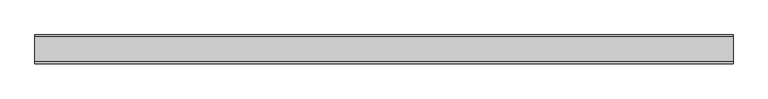
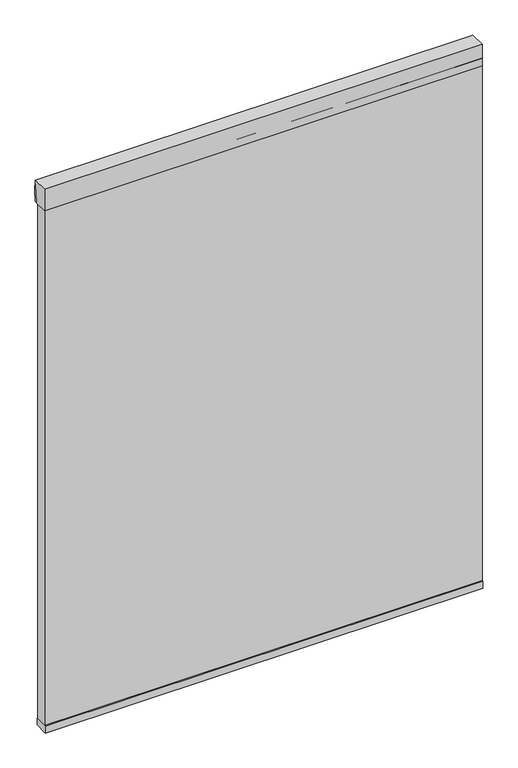
"""IFC4 building model written with IfcOpenShell, lengths in millimetres: plate geometry."""

import ifcopenshell
import ifcopenshell.guid

model = None  # the IFC model being written
_history = None  # IfcOwnerHistory: only IFC2X3 demands one
_inside = {}  # id of a spatial element -> (the spatial element, [elements in it])
_under = {}  # id of a project, library or spatial element -> (it, [spatial elements below it])
_declared = {}  # id of a project -> (the project, [libraries it declares])
_typed = {}  # id of a type object -> (the type object, [elements of that type])
_made_of = {}  # id of a material, layer set ... -> (it, [elements and type objects made of it])


def new_model(schema):
    """Start an empty IFC model of exactly this schema.

    Asked for "IFC4X3", IfcOpenShell would pick the latest addendum, in which some entities
    have other attributes; the version numbers below select the first issue.
    IFC2X3 requires an IfcOwnerHistory on every rooted entity: one is made here for all.
    """
    global model, _history
    if schema == "IFC4X3":
        model = ifcopenshell.file(schema_version=(4, 3, 0, 0))
    else:
        model = ifcopenshell.file(schema=schema)
    _inside.clear()
    _under.clear()
    _declared.clear()
    _typed.clear()
    _made_of.clear()
    _history = None
    if model.schema == "IFC2X3":
        org = make("IfcOrganization", Name="unknown")
        user = make(
            "IfcPersonAndOrganization",
            ThePerson=make("IfcPerson", FamilyName="unknown"),
            TheOrganization=org,
        )
        app = make(
            "IfcApplication",
            ApplicationDeveloper=org,
            Version="unknown",
            ApplicationFullName="unknown",
            ApplicationIdentifier="unknown",
        )
        _history = make(
            "IfcOwnerHistory",
            OwningUser=user,
            OwningApplication=app,
            ChangeAction="ADDED",
            CreationDate=0,
        )
    return model


def make(cls, **values):
    """One entity of the class cls with the attributes given. An attribute that is None is left unset."""
    return model.create_entity(
        cls, **{name: value for name, value in values.items() if value is not None}
    )


def rooted(cls, **values):
    """An entity with a GlobalId (a new one), such as an element, a storey or a relation."""
    return make(cls, GlobalId=ifcopenshell.guid.new(), OwnerHistory=_history, **values)


def si_unit(unit_type, name, prefix=None):
    """IfcSIUnit, for example si_unit("LENGTHUNIT", "METRE", prefix="MILLI")."""
    return make("IfcSIUnit", UnitType=unit_type, Prefix=prefix, Name=name)


def assignment(units):
    """IfcUnitAssignment: the units of a project."""
    return None if units is None else make("IfcUnitAssignment", Units=units)


def point(xyz):
    """IfcCartesianPoint."""
    return None if xyz is None else make("IfcCartesianPoint", Coordinates=xyz)


def direction(xyz):
    """IfcDirection."""
    return None if xyz is None else make("IfcDirection", DirectionRatios=xyz)


def frame(location, z_axis=None, x_axis=None):
    """IfcAxis2Placement3D, a coordinate frame: its origin and axes. An axis left out is left unset."""
    return make(
        "IfcAxis2Placement3D",
        Location=point(location),
        Axis=direction(z_axis),
        RefDirection=direction(x_axis),
    )


def frame_2d(location, x_axis=None):
    """IfcAxis2Placement2D, a coordinate frame in the plane: its origin and x axis."""
    return make(
        "IfcAxis2Placement2D", Location=point(location), RefDirection=direction(x_axis)
    )


def origin():
    """The frame at (0, 0, 0) with its axes left unset."""
    return frame((0.0, 0.0, 0.0))


def place(relative_to, where):
    """IfcLocalPlacement: puts the frame where relative to a parent placement (None: the world)."""
    return make(
        "IfcLocalPlacement", PlacementRelTo=relative_to, RelativePlacement=where
    )


def context(
    kind, dimensions, precision=None, world=None, true_north=None, identifier=None
):
    """IfcGeometricRepresentationContext, for example the 3D "Model" context."""
    return make(
        "IfcGeometricRepresentationContext",
        ContextIdentifier=identifier,
        ContextType=kind,
        CoordinateSpaceDimension=dimensions,
        Precision=precision,
        WorldCoordinateSystem=world,
        TrueNorth=true_north,
    )


def project(units=None, contexts=None):
    """IfcProject with its units and contexts."""
    return rooted(
        "IfcProject",
        Name="project",
        RepresentationContexts=contexts,
        UnitsInContext=assignment(units),
    )


def spatial(cls, under=None, at=None, **own):
    """A site, building, storey or space (cls), placed at a placement, below another one or the project."""
    s = rooted(cls, ObjectPlacement=at, **own)
    if under is not None:
        _under.setdefault(under.id(), (under, []))[1].append(s)
    return s


def polyline(points):
    """IfcPolyline through the points."""
    return make("IfcPolyline", Points=[point(p) for p in points])


def circle_curve(where, radius):
    """IfcCircle in the frame where."""
    return make("IfcCircle", Position=where, Radius=radius)


def trimmed(basis, trim1, trim2, sense, master):
    """IfcTrimmedCurve: the piece of a basis curve between two trims."""
    return make(
        "IfcTrimmedCurve",
        BasisCurve=basis,
        Trim1=trim1,
        Trim2=trim2,
        SenseAgreement=sense,
        MasterRepresentation=master,
    )


def segment(curve, same_sense, transition):
    """IfcCompositeCurveSegment."""
    return make(
        "IfcCompositeCurveSegment",
        Transition=transition,
        SameSense=same_sense,
        ParentCurve=curve,
    )


def composite_curve(segments, self_intersect=None):
    """IfcCompositeCurve: segments joined end to end."""
    return make("IfcCompositeCurve", Segments=segments, SelfIntersect=self_intersect)


def outline(outer, holes=None, kind="AREA"):
    """IfcArbitraryClosedProfileDef: a profile drawn as a closed curve; with holes, ...WithVoids."""
    if holes is None:
        return make("IfcArbitraryClosedProfileDef", ProfileType=kind, OuterCurve=outer)
    return make(
        "IfcArbitraryProfileDefWithVoids",
        ProfileType=kind,
        OuterCurve=outer,
        InnerCurves=holes,
    )


def extrude(swept, where, along, depth):
    """IfcExtrudedAreaSolid: the profile swept, set in the frame where, extruded along a direction by depth."""
    return make(
        "IfcExtrudedAreaSolid",
        SweptArea=swept,
        Position=where,
        ExtrudedDirection=direction(along),
        Depth=depth,
    )


def shape(context_of_items, identifier, shape_type, items):
    """IfcShapeRepresentation: the items that make up one representation, for example the "Body"."""
    return make(
        "IfcShapeRepresentation",
        ContextOfItems=context_of_items,
        RepresentationIdentifier=identifier,
        RepresentationType=shape_type,
        Items=items,
    )


def source(mapping_origin, context_of_items, identifier, shape_type, items):
    """IfcRepresentationMap: a shape defined once, which mapped items show again and again."""
    return make(
        "IfcRepresentationMap",
        MappingOrigin=mapping_origin,
        MappedRepresentation=shape(context_of_items, identifier, shape_type, items),
    )


def transform(
    local_origin,
    x_axis=None,
    y_axis=None,
    z_axis=None,
    scale=None,
    scale2=None,
    scale3=None,
    uniform=True,
):
    """IfcCartesianTransformationOperator3D, or its non-uniform kind. x_axis, y_axis, z_axis: its Axis1, 2, 3."""
    if uniform:
        return make(
            "IfcCartesianTransformationOperator3D",
            Axis1=direction(x_axis),
            Axis2=direction(y_axis),
            LocalOrigin=point(local_origin),
            Scale=scale,
            Axis3=direction(z_axis),
        )
    return make(
        "IfcCartesianTransformationOperator3DnonUniform",
        Axis1=direction(x_axis),
        Axis2=direction(y_axis),
        LocalOrigin=point(local_origin),
        Scale=scale,
        Axis3=direction(z_axis),
        Scale2=scale2,
        Scale3=scale3,
    )


def mapped(mapping_source, mapping_target):
    """IfcMappedItem: shows the shape of a source again, moved by a transform."""
    return make(
        "IfcMappedItem", MappingSource=mapping_source, MappingTarget=mapping_target
    )


def made_of(thing, what):
    """Note that an element or type object is made of a material, layer set ...; save() writes the relation."""
    if what is not None:
        _made_of.setdefault(what.id(), (what, []))[1].append(thing)
    return thing


def element(
    cls,
    number,
    at=None,
    inside=None,
    cuts=None,
    type_object=None,
    material=None,
    context=None,
    identifier="Body",
    shape_type=None,
    held_by="IfcProductDefinitionShape",
    body=None,
    shapes=None,
    **own,
):
    """One element of the class cls, such as IfcWall. Its Tag is "e" and its number.

    at: its placement. inside: the storey or other place that contains it. cuts: it is an
    opening in that element (IfcRelVoidsElement). A single representation is given by context,
    identifier, shape_type and body (its items); several are given by shapes. held_by: the class
    of the entity that holds the representations. save() writes the other relations.
    """
    e = rooted(cls, Tag="e%d" % number, ObjectPlacement=at, **own)
    if body is not None:
        shapes = [shape(context, identifier, shape_type, body)]
    if shapes is not None:
        e.Representation = make(held_by, Representations=shapes)
    if inside is not None:
        _inside.setdefault(inside.id(), (inside, []))[1].append(e)
    if cuts is not None:
        rooted(
            "IfcRelVoidsElement", RelatingBuildingElement=cuts, RelatedOpeningElement=e
        )
    if type_object is not None:
        _typed.setdefault(type_object.id(), (type_object, []))[1].append(e)
    return made_of(e, material)


def aggregate(whole, parts):
    """IfcRelAggregates: a whole, such as a stair, and the parts it consists of."""
    return rooted("IfcRelAggregates", RelatingObject=whole, RelatedObjects=parts)


def save(model, path):
    """Write the relations noted so far, then the file.

    IfcRelAggregates (storeys below a building ...), IfcRelContainedInSpatialStructure (elements
    in a storey), IfcRelDefinesByType, IfcRelAssociatesMaterial and IfcRelDeclares: one each for
    every whole, place, type object, material and project.
    """
    for whole, parts in _under.values():
        aggregate(whole, parts)
    for where, things in _inside.values():
        rooted(
            "IfcRelContainedInSpatialStructure",
            RelatedElements=things,
            RelatingStructure=where,
        )
    for kind, things in _typed.values():
        rooted("IfcRelDefinesByType", RelatedObjects=things, RelatingType=kind)
    for what, things in _made_of.values():
        rooted("IfcRelAssociatesMaterial", RelatedObjects=things, RelatingMaterial=what)
    for by, libraries in _declared.values():
        rooted("IfcRelDeclares", RelatingContext=by, RelatedDefinitions=libraries)
    model.write(path)


def plate_a26e2a3d(model_context):
    return source(origin(), model_context, "Body", "SweptSolid", [
        extrude(outline(composite_curve([segment(polyline([(-20.6375, 2133.6), (35.71875, 2133.6), (35.71875, 2130.425)]), True, "CONTINUOUS"), segment(trimmed(circle_curve(frame_2d((359.5960463, 2051.2450255)), 333.4156137), [point((35.71875, 2130.425))], [point((26.19375, 2054.225))], True, "CARTESIAN"), True, "CONTINUOUS"), segment(polyline([(26.19375, 2054.225), (-20.6375, 2054.225), (-20.6375, 2133.6)]), True, "CONTINUOUS")], self_intersect=False)), frame((-774.7, 0.0, 0.0), z_axis=(1.0, 0.0, 0.0), x_axis=(0.0, 1.0, 0.0)), (0.0, 0.0, 1.0), 1549.4),
        extrude(outline(composite_curve([segment(polyline([(-20.6375, 2054.225), (-20.6375, 2133.6), (35.71875, 2133.6)]), True, "CONTINUOUS"), segment(trimmed(circle_curve(frame_2d((-276.5341329, 2093.9125)), 314.7649291), [point((35.71875, 2133.6))], [point((35.71875, 2054.225))], False, "CARTESIAN"), True, "CONTINUOUS"), segment(polyline([(35.71875, 2054.225), (-20.6375, 2054.225)]), True, "CONTINUOUS")], self_intersect=False)), frame((-774.7, 0.0, 0.0), z_axis=(1.0, 0.0, 0.0), x_axis=(0.0, 1.0, 0.0)), (0.0, 0.0, 1.0), 1549.4),
        extrude(outline(polyline([(-774.7, -25.4), (-774.7, 25.4), (774.7, 25.4), (774.7, -25.4), (-774.7, -25.4)])), frame((0.0, 0.0, 101.6), z_axis=(0.0, 0.0, 1.0), x_axis=(1.0, 0.0, 0.0)), (0.0, 0.0, 1.0), 25.4),
        extrude(outline(polyline([(774.7, -20.6375), (-774.7, -20.6375), (-774.7, 20.6375), (774.7, 20.6375), (774.7, -20.6375)])), frame((0.0, 0.0, 127.0), z_axis=(0.0, 0.0, 1.0), x_axis=(1.0, 0.0, 0.0)), (0.0, 0.0, 1.0), 1955.8),
    ])


if __name__ == "__main__":
    model = new_model("IFC4")
    model_context = context("Model", 3, world=origin())
    ifc_project = project(units=[si_unit("LENGTHUNIT", "METRE", prefix="MILLI")], contexts=[model_context])
    site = spatial("IfcSite", under=ifc_project)
    building = spatial("IfcBuilding", under=site)
    placement = place(None, origin())
    plate_shape = plate_a26e2a3d(model_context)
    element("IfcPlate", 1, at=placement, inside=building, context=model_context, shape_type="MappedRepresentation", body=[
        mapped(plate_shape, transform((0.0, 0.0, 0.0), x_axis=(1.0, 0.0, 0.0), y_axis=(0.0, 1.0, 0.0), z_axis=(0.0, 0.0, 1.0))),
    ])
    save(model, "model.ifc")
